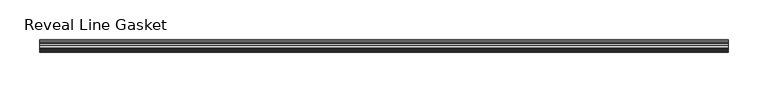
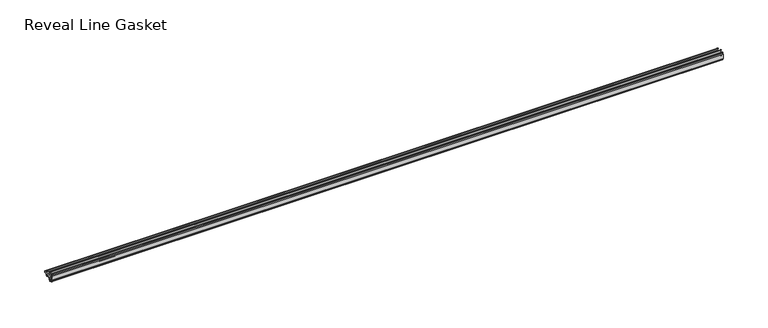
"""IFC4 building model written with IfcOpenShell, lengths in millimetres: furniture geometry, Reveal Line Gasket."""

from ifc_helpers import new_model, si_unit, point, frame, frame_2d, origin, place, context, project, spatial, polyline, circle_curve, trimmed, segment, composite_curve, outline, extrude, source, transform, mapped, element, save


def reveal_line_gasket_e02d9327(model_context):
    return source(origin(), model_context, "Body", "SweptSolid", [
        extrude(outline(composite_curve([segment(polyline([(-7.6326998, 1603.2), (-7.4091917, 1604.1554927), (-6.8813059, 1605.0884684)]), True, "CONTINUOUS"), segment(trimmed(circle_curve(frame_2d((-6.5243141, 1604.8864793)), 0.4101739), [point((-6.8813059, 1605.0884684))], [point((-6.1246704, 1604.7941347))], False, "CARTESIAN"), True, "CONTINUOUS"), segment(polyline([(-6.1246704, 1604.7941347), (-6.3626997, 1603.0979086), (-6.3626997, 1601.0654527)]), True, "CONTINUOUS"), segment(trimmed(circle_curve(frame_2d((-5.6959605, 1601.4819258)), 0.786124), [point((-6.3626997, 1601.0654527))], [point((-5.0926996, 1600.977875))], True, "CARTESIAN"), True, "CONTINUOUS"), segment(polyline([(-5.0926996, 1600.977875), (-0.7492996, 1600.977875), (-3.7293824, 1606.1395295)]), True, "CONTINUOUS"), segment(trimmed(circle_curve(frame_2d((-3.3132479, 1606.2049761)), 0.4212495), [point((-3.7293824, 1606.1395295))], [point((-3.0485022, 1606.5326358))], False, "CARTESIAN"), True, "CONTINUOUS"), segment(polyline([(-3.0485022, 1606.5326358), (0.5742594, 1600.977875), (4.8262978, 1600.977875), (3.1660374, 1603.8535297)]), True, "CONTINUOUS"), segment(trimmed(circle_curve(frame_2d((3.5978728, 1603.9118855)), 0.4357605), [point((3.1660374, 1603.8535297))], [point((3.864328, 1604.2566881))], False, "CARTESIAN"), True, "CONTINUOUS"), segment(polyline([(3.864328, 1604.2566881), (6.1944059, 1600.977875), (7.6326998, 1600.977875), (7.6326998, 1599.422125), (6.1944059, 1599.422125), (3.864328, 1596.1433119)]), True, "CONTINUOUS"), segment(trimmed(circle_curve(frame_2d((3.5978728, 1596.4881145)), 0.4357605), [point((3.864328, 1596.1433119))], [point((3.1660374, 1596.5464703))], False, "CARTESIAN"), True, "CONTINUOUS"), segment(polyline([(3.1660374, 1596.5464703), (4.8262978, 1599.422125), (0.5742594, 1599.422125), (-3.0485022, 1593.8673642)]), True, "CONTINUOUS"), segment(trimmed(circle_curve(frame_2d((-3.3132479, 1594.1950239)), 0.4212495), [point((-3.0485022, 1593.8673642))], [point((-3.7293824, 1594.2604705))], False, "CARTESIAN"), True, "CONTINUOUS"), segment(polyline([(-3.7293824, 1594.2604705), (-0.7492996, 1599.422125), (-5.0926996, 1599.422125)]), True, "CONTINUOUS"), segment(trimmed(circle_curve(frame_2d((-5.6959605, 1598.9180742)), 0.786124), [point((-5.0926996, 1599.422125))], [point((-6.3626997, 1599.3345473))], True, "CARTESIAN"), True, "CONTINUOUS"), segment(polyline([(-6.3626997, 1599.3345473), (-6.3626997, 1597.3020914), (-6.1246704, 1595.6058653)]), True, "CONTINUOUS"), segment(trimmed(circle_curve(frame_2d((-6.5243141, 1595.5135207)), 0.4101739), [point((-6.1246704, 1595.6058653))], [point((-6.8813059, 1595.3115316))], False, "CARTESIAN"), True, "CONTINUOUS"), segment(polyline([(-6.8813059, 1595.3115316), (-7.4091917, 1596.2445073), (-7.6326998, 1597.2), (-7.6326998, 1603.2)]), True, "CONTINUOUS")], self_intersect=False)), frame((-431.199949, 0.0, 0.0), z_axis=(1.0, 0.0, 0.0), x_axis=(0.0, 1.0, 0.0)), (0.0, 0.0, 1.0), 862.3998981),
    ])


if __name__ == "__main__":
    model = new_model("IFC4")
    model_context = context("Model", 3, world=origin())
    ifc_project = project(units=[si_unit("LENGTHUNIT", "METRE", prefix="MILLI")], contexts=[model_context])
    site = spatial("IfcSite", under=ifc_project)
    building = spatial("IfcBuilding", under=site)
    placement = place(None, origin())
    reveal_line_gasket_shape = reveal_line_gasket_e02d9327(model_context)
    element("IfcFurniture", 1, ObjectType="Reveal Line Gasket", at=placement, inside=building, context=model_context, shape_type="MappedRepresentation", body=[
        mapped(reveal_line_gasket_shape, transform((0.0, 0.0, 0.0), x_axis=(1.0, 0.0, 0.0), y_axis=(0.0, 1.0, 0.0), z_axis=(0.0, 0.0, 1.0))),
    ])
    save(model, "model.ifc")
